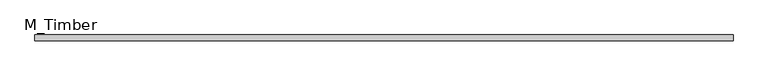
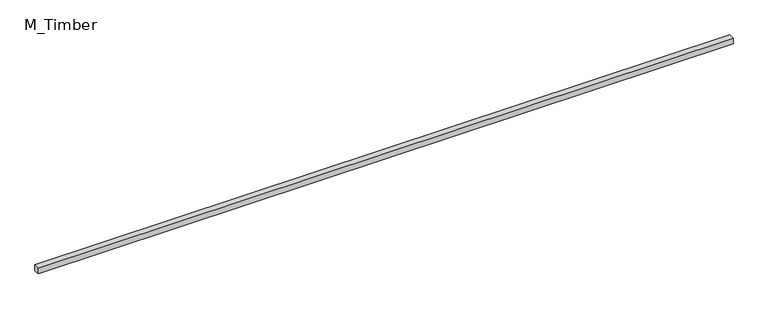
"""IFC4 building model written with IfcOpenShell, lengths in millimetres: beam geometry, M_Timber."""

import ifcopenshell
import ifcopenshell.guid

model = None  # the IFC model being written
_history = None  # IfcOwnerHistory: only IFC2X3 demands one
_inside = {}  # id of a spatial element -> (the spatial element, [elements in it])
_under = {}  # id of a project, library or spatial element -> (it, [spatial elements below it])
_declared = {}  # id of a project -> (the project, [libraries it declares])
_typed = {}  # id of a type object -> (the type object, [elements of that type])
_made_of = {}  # id of a material, layer set ... -> (it, [elements and type objects made of it])


def new_model(schema):
    """Start an empty IFC model of exactly this schema.

    Asked for "IFC4X3", IfcOpenShell would pick the latest addendum, in which some entities
    have other attributes; the version numbers below select the first issue.
    IFC2X3 requires an IfcOwnerHistory on every rooted entity: one is made here for all.
    """
    global model, _history
    if schema == "IFC4X3":
        model = ifcopenshell.file(schema_version=(4, 3, 0, 0))
    else:
        model = ifcopenshell.file(schema=schema)
    _inside.clear()
    _under.clear()
    _declared.clear()
    _typed.clear()
    _made_of.clear()
    _history = None
    if model.schema == "IFC2X3":
        org = make("IfcOrganization", Name="unknown")
        user = make(
            "IfcPersonAndOrganization",
            ThePerson=make("IfcPerson", FamilyName="unknown"),
            TheOrganization=org,
        )
        app = make(
            "IfcApplication",
            ApplicationDeveloper=org,
            Version="unknown",
            ApplicationFullName="unknown",
            ApplicationIdentifier="unknown",
        )
        _history = make(
            "IfcOwnerHistory",
            OwningUser=user,
            OwningApplication=app,
            ChangeAction="ADDED",
            CreationDate=0,
        )
    return model


def make(cls, **values):
    """One entity of the class cls with the attributes given. An attribute that is None is left unset."""
    return model.create_entity(
        cls, **{name: value for name, value in values.items() if value is not None}
    )


def rooted(cls, **values):
    """An entity with a GlobalId (a new one), such as an element, a storey or a relation."""
    return make(cls, GlobalId=ifcopenshell.guid.new(), OwnerHistory=_history, **values)


def si_unit(unit_type, name, prefix=None):
    """IfcSIUnit, for example si_unit("LENGTHUNIT", "METRE", prefix="MILLI")."""
    return make("IfcSIUnit", UnitType=unit_type, Prefix=prefix, Name=name)


def assignment(units):
    """IfcUnitAssignment: the units of a project."""
    return None if units is None else make("IfcUnitAssignment", Units=units)


def point(xyz):
    """IfcCartesianPoint."""
    return None if xyz is None else make("IfcCartesianPoint", Coordinates=xyz)


def direction(xyz):
    """IfcDirection."""
    return None if xyz is None else make("IfcDirection", DirectionRatios=xyz)


def frame(location, z_axis=None, x_axis=None):
    """IfcAxis2Placement3D, a coordinate frame: its origin and axes. An axis left out is left unset."""
    return make(
        "IfcAxis2Placement3D",
        Location=point(location),
        Axis=direction(z_axis),
        RefDirection=direction(x_axis),
    )


def origin():
    """The frame at (0, 0, 0) with its axes left unset."""
    return frame((0.0, 0.0, 0.0))


def place(relative_to, where):
    """IfcLocalPlacement: puts the frame where relative to a parent placement (None: the world)."""
    return make(
        "IfcLocalPlacement", PlacementRelTo=relative_to, RelativePlacement=where
    )


def context(
    kind, dimensions, precision=None, world=None, true_north=None, identifier=None
):
    """IfcGeometricRepresentationContext, for example the 3D "Model" context."""
    return make(
        "IfcGeometricRepresentationContext",
        ContextIdentifier=identifier,
        ContextType=kind,
        CoordinateSpaceDimension=dimensions,
        Precision=precision,
        WorldCoordinateSystem=world,
        TrueNorth=true_north,
    )


def project(units=None, contexts=None):
    """IfcProject with its units and contexts."""
    return rooted(
        "IfcProject",
        Name="project",
        RepresentationContexts=contexts,
        UnitsInContext=assignment(units),
    )


def spatial(cls, under=None, at=None, **own):
    """A site, building, storey or space (cls), placed at a placement, below another one or the project."""
    s = rooted(cls, ObjectPlacement=at, **own)
    if under is not None:
        _under.setdefault(under.id(), (under, []))[1].append(s)
    return s


def polyline(points):
    """IfcPolyline through the points."""
    return make("IfcPolyline", Points=[point(p) for p in points])


def outline(outer, holes=None, kind="AREA"):
    """IfcArbitraryClosedProfileDef: a profile drawn as a closed curve; with holes, ...WithVoids."""
    if holes is None:
        return make("IfcArbitraryClosedProfileDef", ProfileType=kind, OuterCurve=outer)
    return make(
        "IfcArbitraryProfileDefWithVoids",
        ProfileType=kind,
        OuterCurve=outer,
        InnerCurves=holes,
    )


def extrude(swept, where, along, depth):
    """IfcExtrudedAreaSolid: the profile swept, set in the frame where, extruded along a direction by depth."""
    return make(
        "IfcExtrudedAreaSolid",
        SweptArea=swept,
        Position=where,
        ExtrudedDirection=direction(along),
        Depth=depth,
    )


def shape(context_of_items, identifier, shape_type, items):
    """IfcShapeRepresentation: the items that make up one representation, for example the "Body"."""
    return make(
        "IfcShapeRepresentation",
        ContextOfItems=context_of_items,
        RepresentationIdentifier=identifier,
        RepresentationType=shape_type,
        Items=items,
    )


def source(mapping_origin, context_of_items, identifier, shape_type, items):
    """IfcRepresentationMap: a shape defined once, which mapped items show again and again."""
    return make(
        "IfcRepresentationMap",
        MappingOrigin=mapping_origin,
        MappedRepresentation=shape(context_of_items, identifier, shape_type, items),
    )


def transform(
    local_origin,
    x_axis=None,
    y_axis=None,
    z_axis=None,
    scale=None,
    scale2=None,
    scale3=None,
    uniform=True,
):
    """IfcCartesianTransformationOperator3D, or its non-uniform kind. x_axis, y_axis, z_axis: its Axis1, 2, 3."""
    if uniform:
        return make(
            "IfcCartesianTransformationOperator3D",
            Axis1=direction(x_axis),
            Axis2=direction(y_axis),
            LocalOrigin=point(local_origin),
            Scale=scale,
            Axis3=direction(z_axis),
        )
    return make(
        "IfcCartesianTransformationOperator3DnonUniform",
        Axis1=direction(x_axis),
        Axis2=direction(y_axis),
        LocalOrigin=point(local_origin),
        Scale=scale,
        Axis3=direction(z_axis),
        Scale2=scale2,
        Scale3=scale3,
    )


def mapped(mapping_source, mapping_target):
    """IfcMappedItem: shows the shape of a source again, moved by a transform."""
    return make(
        "IfcMappedItem", MappingSource=mapping_source, MappingTarget=mapping_target
    )


def made_of(thing, what):
    """Note that an element or type object is made of a material, layer set ...; save() writes the relation."""
    if what is not None:
        _made_of.setdefault(what.id(), (what, []))[1].append(thing)
    return thing


def element(
    cls,
    number,
    at=None,
    inside=None,
    cuts=None,
    type_object=None,
    material=None,
    context=None,
    identifier="Body",
    shape_type=None,
    held_by="IfcProductDefinitionShape",
    body=None,
    shapes=None,
    **own,
):
    """One element of the class cls, such as IfcWall. Its Tag is "e" and its number.

    at: its placement. inside: the storey or other place that contains it. cuts: it is an
    opening in that element (IfcRelVoidsElement). A single representation is given by context,
    identifier, shape_type and body (its items); several are given by shapes. held_by: the class
    of the entity that holds the representations. save() writes the other relations.
    """
    e = rooted(cls, Tag="e%d" % number, ObjectPlacement=at, **own)
    if body is not None:
        shapes = [shape(context, identifier, shape_type, body)]
    if shapes is not None:
        e.Representation = make(held_by, Representations=shapes)
    if inside is not None:
        _inside.setdefault(inside.id(), (inside, []))[1].append(e)
    if cuts is not None:
        rooted(
            "IfcRelVoidsElement", RelatingBuildingElement=cuts, RelatedOpeningElement=e
        )
    if type_object is not None:
        _typed.setdefault(type_object.id(), (type_object, []))[1].append(e)
    return made_of(e, material)


def aggregate(whole, parts):
    """IfcRelAggregates: a whole, such as a stair, and the parts it consists of."""
    return rooted("IfcRelAggregates", RelatingObject=whole, RelatedObjects=parts)


def save(model, path):
    """Write the relations noted so far, then the file.

    IfcRelAggregates (storeys below a building ...), IfcRelContainedInSpatialStructure (elements
    in a storey), IfcRelDefinesByType, IfcRelAssociatesMaterial and IfcRelDeclares: one each for
    every whole, place, type object, material and project.
    """
    for whole, parts in _under.values():
        aggregate(whole, parts)
    for where, things in _inside.values():
        rooted(
            "IfcRelContainedInSpatialStructure",
            RelatedElements=things,
            RelatingStructure=where,
        )
    for kind, things in _typed.values():
        rooted("IfcRelDefinesByType", RelatedObjects=things, RelatingType=kind)
    for what, things in _made_of.values():
        rooted("IfcRelAssociatesMaterial", RelatedObjects=things, RelatingMaterial=what)
    for by, libraries in _declared.values():
        rooted("IfcRelDeclares", RelatingContext=by, RelatedDefinitions=libraries)
    model.write(path)


def m_timber_31c2ec0c(model_context):
    return source(origin(), model_context, "Body", "SweptSolid", [
        extrude(outline(polyline([(2325.9708156, 20.0), (2325.9708156, -20.0), (-2400.9708156, -20.0), (-2400.9708156, 20.0), (2325.9708156, 20.0)])), frame((0.0, 0.0, -20.0), z_axis=(0.0, 0.0, 1.0), x_axis=(1.0, 0.0, 0.0)), (0.0, 0.0, 1.0), 40.0),
    ])


if __name__ == "__main__":
    model = new_model("IFC4")
    model_context = context("Model", 3, world=origin())
    ifc_project = project(units=[si_unit("LENGTHUNIT", "METRE", prefix="MILLI")], contexts=[model_context])
    site = spatial("IfcSite", under=ifc_project)
    building = spatial("IfcBuilding", under=site)
    placement = place(None, origin())
    m_timber_shape = m_timber_31c2ec0c(model_context)
    element("IfcBeam", 1, ObjectType="M_Timber", at=placement, inside=building, context=model_context, shape_type="MappedRepresentation", body=[
        mapped(m_timber_shape, transform((0.0, 0.0, 0.0), x_axis=(1.0, 0.0, 0.0), y_axis=(0.0, 1.0, 0.0), z_axis=(0.0, 0.0, 1.0))),
    ])
    save(model, "model.ifc")
